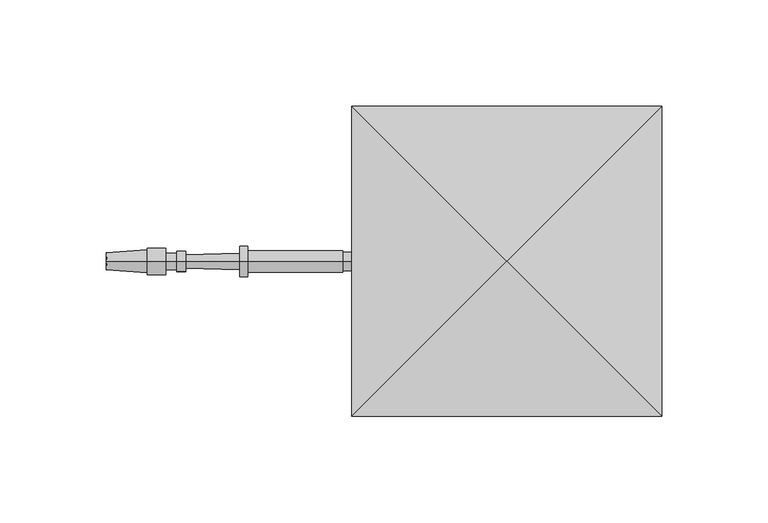
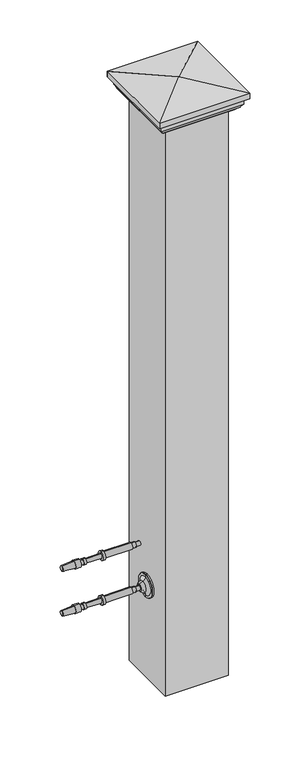
"""IFC4 building model written with IfcOpenShell, lengths in millimetres: railing geometry."""

import ifcopenshell
import ifcopenshell.guid

model = None  # the IFC model being written
_history = None  # IfcOwnerHistory: only IFC2X3 demands one
_inside = {}  # id of a spatial element -> (the spatial element, [elements in it])
_under = {}  # id of a project, library or spatial element -> (it, [spatial elements below it])
_declared = {}  # id of a project -> (the project, [libraries it declares])
_typed = {}  # id of a type object -> (the type object, [elements of that type])
_made_of = {}  # id of a material, layer set ... -> (it, [elements and type objects made of it])


def new_model(schema):
    """Start an empty IFC model of exactly this schema.

    Asked for "IFC4X3", IfcOpenShell would pick the latest addendum, in which some entities
    have other attributes; the version numbers below select the first issue.
    IFC2X3 requires an IfcOwnerHistory on every rooted entity: one is made here for all.
    """
    global model, _history
    if schema == "IFC4X3":
        model = ifcopenshell.file(schema_version=(4, 3, 0, 0))
    else:
        model = ifcopenshell.file(schema=schema)
    _inside.clear()
    _under.clear()
    _declared.clear()
    _typed.clear()
    _made_of.clear()
    _history = None
    if model.schema == "IFC2X3":
        org = make("IfcOrganization", Name="unknown")
        user = make(
            "IfcPersonAndOrganization",
            ThePerson=make("IfcPerson", FamilyName="unknown"),
            TheOrganization=org,
        )
        app = make(
            "IfcApplication",
            ApplicationDeveloper=org,
            Version="unknown",
            ApplicationFullName="unknown",
            ApplicationIdentifier="unknown",
        )
        _history = make(
            "IfcOwnerHistory",
            OwningUser=user,
            OwningApplication=app,
            ChangeAction="ADDED",
            CreationDate=0,
        )
    return model


def make(cls, **values):
    """One entity of the class cls with the attributes given. An attribute that is None is left unset."""
    return model.create_entity(
        cls, **{name: value for name, value in values.items() if value is not None}
    )


def rooted(cls, **values):
    """An entity with a GlobalId (a new one), such as an element, a storey or a relation."""
    return make(cls, GlobalId=ifcopenshell.guid.new(), OwnerHistory=_history, **values)


def si_unit(unit_type, name, prefix=None):
    """IfcSIUnit, for example si_unit("LENGTHUNIT", "METRE", prefix="MILLI")."""
    return make("IfcSIUnit", UnitType=unit_type, Prefix=prefix, Name=name)


def assignment(units):
    """IfcUnitAssignment: the units of a project."""
    return None if units is None else make("IfcUnitAssignment", Units=units)


def point(xyz):
    """IfcCartesianPoint."""
    return None if xyz is None else make("IfcCartesianPoint", Coordinates=xyz)


def direction(xyz):
    """IfcDirection."""
    return None if xyz is None else make("IfcDirection", DirectionRatios=xyz)


def frame(location, z_axis=None, x_axis=None):
    """IfcAxis2Placement3D, a coordinate frame: its origin and axes. An axis left out is left unset."""
    return make(
        "IfcAxis2Placement3D",
        Location=point(location),
        Axis=direction(z_axis),
        RefDirection=direction(x_axis),
    )


def origin():
    """The frame at (0, 0, 0) with its axes left unset."""
    return frame((0.0, 0.0, 0.0))


def place(relative_to, where):
    """IfcLocalPlacement: puts the frame where relative to a parent placement (None: the world)."""
    return make(
        "IfcLocalPlacement", PlacementRelTo=relative_to, RelativePlacement=where
    )


def context(
    kind, dimensions, precision=None, world=None, true_north=None, identifier=None
):
    """IfcGeometricRepresentationContext, for example the 3D "Model" context."""
    return make(
        "IfcGeometricRepresentationContext",
        ContextIdentifier=identifier,
        ContextType=kind,
        CoordinateSpaceDimension=dimensions,
        Precision=precision,
        WorldCoordinateSystem=world,
        TrueNorth=true_north,
    )


def project(units=None, contexts=None):
    """IfcProject with its units and contexts."""
    return rooted(
        "IfcProject",
        Name="project",
        RepresentationContexts=contexts,
        UnitsInContext=assignment(units),
    )


def spatial(cls, under=None, at=None, **own):
    """A site, building, storey or space (cls), placed at a placement, below another one or the project."""
    s = rooted(cls, ObjectPlacement=at, **own)
    if under is not None:
        _under.setdefault(under.id(), (under, []))[1].append(s)
    return s


def polyline(points):
    """IfcPolyline through the points."""
    return make("IfcPolyline", Points=[point(p) for p in points])


def circle_curve(where, radius):
    """IfcCircle in the frame where."""
    return make("IfcCircle", Position=where, Radius=radius)


def ellipse_curve(where, semi_axis1, semi_axis2):
    """IfcEllipse in the frame where."""
    return make(
        "IfcEllipse", Position=where, SemiAxis1=semi_axis1, SemiAxis2=semi_axis2
    )


def trimmed(basis, trim1, trim2, sense, master):
    """IfcTrimmedCurve: the piece of a basis curve between two trims."""
    return make(
        "IfcTrimmedCurve",
        BasisCurve=basis,
        Trim1=trim1,
        Trim2=trim2,
        SenseAgreement=sense,
        MasterRepresentation=master,
    )


def outline(outer, holes=None, kind="AREA"):
    """IfcArbitraryClosedProfileDef: a profile drawn as a closed curve; with holes, ...WithVoids."""
    if holes is None:
        return make("IfcArbitraryClosedProfileDef", ProfileType=kind, OuterCurve=outer)
    return make(
        "IfcArbitraryProfileDefWithVoids",
        ProfileType=kind,
        OuterCurve=outer,
        InnerCurves=holes,
    )


def extrude(swept, where, along, depth):
    """IfcExtrudedAreaSolid: the profile swept, set in the frame where, extruded along a direction by depth."""
    return make(
        "IfcExtrudedAreaSolid",
        SweptArea=swept,
        Position=where,
        ExtrudedDirection=direction(along),
        Depth=depth,
    )


def shape(context_of_items, identifier, shape_type, items):
    """IfcShapeRepresentation: the items that make up one representation, for example the "Body"."""
    return make(
        "IfcShapeRepresentation",
        ContextOfItems=context_of_items,
        RepresentationIdentifier=identifier,
        RepresentationType=shape_type,
        Items=items,
    )


def source(mapping_origin, context_of_items, identifier, shape_type, items):
    """IfcRepresentationMap: a shape defined once, which mapped items show again and again."""
    return make(
        "IfcRepresentationMap",
        MappingOrigin=mapping_origin,
        MappedRepresentation=shape(context_of_items, identifier, shape_type, items),
    )


def transform(
    local_origin,
    x_axis=None,
    y_axis=None,
    z_axis=None,
    scale=None,
    scale2=None,
    scale3=None,
    uniform=True,
):
    """IfcCartesianTransformationOperator3D, or its non-uniform kind. x_axis, y_axis, z_axis: its Axis1, 2, 3."""
    if uniform:
        return make(
            "IfcCartesianTransformationOperator3D",
            Axis1=direction(x_axis),
            Axis2=direction(y_axis),
            LocalOrigin=point(local_origin),
            Scale=scale,
            Axis3=direction(z_axis),
        )
    return make(
        "IfcCartesianTransformationOperator3DnonUniform",
        Axis1=direction(x_axis),
        Axis2=direction(y_axis),
        LocalOrigin=point(local_origin),
        Scale=scale,
        Axis3=direction(z_axis),
        Scale2=scale2,
        Scale3=scale3,
    )


def mapped(mapping_source, mapping_target):
    """IfcMappedItem: shows the shape of a source again, moved by a transform."""
    return make(
        "IfcMappedItem", MappingSource=mapping_source, MappingTarget=mapping_target
    )


def made_of(thing, what):
    """Note that an element or type object is made of a material, layer set ...; save() writes the relation."""
    if what is not None:
        _made_of.setdefault(what.id(), (what, []))[1].append(thing)
    return thing


def element(
    cls,
    number,
    at=None,
    inside=None,
    cuts=None,
    type_object=None,
    material=None,
    context=None,
    identifier="Body",
    shape_type=None,
    held_by="IfcProductDefinitionShape",
    body=None,
    shapes=None,
    **own,
):
    """One element of the class cls, such as IfcWall. Its Tag is "e" and its number.

    at: its placement. inside: the storey or other place that contains it. cuts: it is an
    opening in that element (IfcRelVoidsElement). A single representation is given by context,
    identifier, shape_type and body (its items); several are given by shapes. held_by: the class
    of the entity that holds the representations. save() writes the other relations.
    """
    e = rooted(cls, Tag="e%d" % number, ObjectPlacement=at, **own)
    if body is not None:
        shapes = [shape(context, identifier, shape_type, body)]
    if shapes is not None:
        e.Representation = make(held_by, Representations=shapes)
    if inside is not None:
        _inside.setdefault(inside.id(), (inside, []))[1].append(e)
    if cuts is not None:
        rooted(
            "IfcRelVoidsElement", RelatingBuildingElement=cuts, RelatedOpeningElement=e
        )
    if type_object is not None:
        _typed.setdefault(type_object.id(), (type_object, []))[1].append(e)
    return made_of(e, material)


def aggregate(whole, parts):
    """IfcRelAggregates: a whole, such as a stair, and the parts it consists of."""
    return rooted("IfcRelAggregates", RelatingObject=whole, RelatedObjects=parts)


def save(model, path):
    """Write the relations noted so far, then the file.

    IfcRelAggregates (storeys below a building ...), IfcRelContainedInSpatialStructure (elements
    in a storey), IfcRelDefinesByType, IfcRelAssociatesMaterial and IfcRelDeclares: one each for
    every whole, place, type object, material and project.
    """
    for whole, parts in _under.values():
        aggregate(whole, parts)
    for where, things in _inside.values():
        rooted(
            "IfcRelContainedInSpatialStructure",
            RelatedElements=things,
            RelatingStructure=where,
        )
    for kind, things in _typed.values():
        rooted("IfcRelDefinesByType", RelatedObjects=things, RelatingType=kind)
    for what, things in _made_of.values():
        rooted("IfcRelAssociatesMaterial", RelatedObjects=things, RelatingMaterial=what)
    for by, libraries in _declared.values():
        rooted("IfcRelDeclares", RelatingContext=by, RelatedDefinitions=libraries)
    model.write(path)


def plane_surface(at):
    """IfcPlane: the flat surface through the origin of the frame at, square to its z axis."""
    return make("IfcPlane", Position=at)


def cylinder_surface(at, radius):
    """IfcCylindricalSurface: all points at the distance radius from the z axis of the frame at."""
    return make("IfcCylindricalSurface", Position=at, Radius=radius)


def revolved_surface(curve, axis_point, axis_direction):
    """IfcSurfaceOfRevolution: the curve turned about the line through axis_point along axis_direction."""
    return make(
        "IfcSurfaceOfRevolution",
        SweptCurve=make("IfcArbitraryOpenProfileDef", ProfileType="CURVE", Curve=curve),
        AxisPosition=make("IfcAxis1Placement", Location=point(axis_point), Axis=direction(axis_direction)),
    )


def advanced_brep(points, edges, surfaces, faces):
    """IfcAdvancedBrep: a solid bounded by faces that lie on surfaces and meet in shared edges.

    An edge is (start, end): straight between two places in points (the first is 0);
    or (start, end, curve); or (start, end, curve, False) where it runs against its curve.
    A face is (place in surfaces, loops), or (place, loops, False) where it looks against
    its surface's normal. A loop lists edges by number (the first is 1), with a minus sign
    where the edge is run from its end to its start. The first loop is the outer one.
    """
    corners = [point(p) for p in points]
    vertices = [make("IfcVertexPoint", VertexGeometry=c) for c in corners]
    made = []
    for start, end, *more in edges:
        made.append(
            make(
                "IfcEdgeCurve",
                EdgeStart=vertices[start],
                EdgeEnd=vertices[end],
                EdgeGeometry=more[0] if more else make("IfcPolyline", Points=[corners[start], corners[end]]),
                SameSense=more[1] if len(more) > 1 else True,
            )
        )
    hull = []
    for where, loops, *sense in faces:
        bounds = []
        for j, loop in enumerate(loops):
            ring = [make("IfcOrientedEdge", EdgeElement=made[abs(k) - 1], Orientation=k > 0) for k in loop]
            bounds.append(
                make(
                    "IfcFaceOuterBound" if j == 0 else "IfcFaceBound",
                    Bound=make("IfcEdgeLoop", EdgeList=ring),
                    Orientation=True,
                )
            )
        hull.append(make("IfcAdvancedFace", Bounds=bounds, FaceSurface=surfaces[where], SameSense=sense[0] if sense else True))
    return make("IfcAdvancedBrep", Outer=make("IfcClosedShell", CfsFaces=hull))


def railing_71b8d278(model_context):
    return source(origin(), model_context, "Body", "SolidModel", [
        advanced_brep(
        [(4032.408954, 20313.0866843, 32759.0282881), (4032.408954, 20313.0866843, 32766.1720381), (4032.408954, 20313.0866843, 32762.6001631), (3907.4650648, 20313.0866843, 32762.6001631), (3907.1694004, 20313.0866843, 32766.6246235), (3907.1694004, 20313.0866843, 32758.5757028), (3926.5127644, 20313.0866843, 32768.045719), (3926.5127644, 20313.0866843, 32757.1546072), (3926.5127644, 20313.0866843, 32768.9386877), (3926.5127644, 20313.0866843, 32756.2616385), (3935.1447956, 20313.0866843, 32768.9386877), (3935.1447956, 20313.0866843, 32756.2616385), (3935.1447956, 20313.0866843, 32766.5574377), (3935.1447956, 20313.0866843, 32758.6428885), (3940.5026081, 20313.0866843, 32766.5574377), (3940.5026081, 20313.0866843, 32758.6428885), (3940.5026081, 20313.0866843, 32767.3511877), (3940.5026081, 20313.0866843, 32757.8491385), (3944.5705769, 20313.0866843, 32767.3511877), (3944.5705769, 20313.0866843, 32757.8491385), (3944.614664, 20313.0866843, 32765.7643), (3944.614664, 20313.0866843, 32759.4360262), (3970.0048672, 20313.0866843, 32766.4696944), (3970.0048672, 20313.0866843, 32758.7306319), (3970.0048672, 20313.0866843, 32769.7439131), (3970.0048672, 20313.0866843, 32755.4564131), (3973.9736172, 20313.0866843, 32769.7439131), (3973.9736172, 20313.0866843, 32755.4564131), (3973.9736172, 20313.0866843, 32767.7595381), (3973.9736172, 20313.0866843, 32757.4407881), (4018.7212735, 20313.0866843, 32767.7595381), (4018.7212735, 20313.0866843, 32757.4407881), (4018.7212735, 20313.0866843, 32766.9657881), (4018.7212735, 20313.0866843, 32758.2345381), (4025.0712735, 20313.0866843, 32766.9657881), (4025.0712735, 20313.0866843, 32758.2345381), (4025.0712735, 20313.0866843, 32766.1720381), (4025.0712735, 20313.0866843, 32759.0282881)],
        [
            (0, 1, circle_curve(frame((4032.408954, 20313.0866843, 32762.6001631), z_axis=(1.0, 0.0, 0.0), x_axis=(0.0, 0.0, 1.0000000000000002)), 3.571875)),
            (1, 2),
            (2, 0),
            (1, 0, circle_curve(frame((4032.408954, 20313.0866843, 32762.6001631), z_axis=(1.0, 0.0, 0.0), x_axis=(0.0, 0.0, 1.0000000000000002)), 3.571875)),
            (3, 4),
            (4, 5, circle_curve(frame((3907.1694004, 20313.0866843, 32762.6001631), z_axis=(-1.0, 0.0, 0.0), x_axis=(0.0, 0.0, 1.0000000000000002)), 4.0244604)),
            (5, 3),
            (5, 4, circle_curve(frame((3907.1694004, 20313.0866843, 32762.6001631), z_axis=(-1.0, 0.0, 0.0), x_axis=(0.0, 0.0, 1.0000000000000002)), 4.0244604)),
            (4, 6),
            (6, 7, circle_curve(frame((3926.5127644, 20313.0866843, 32762.6001631), z_axis=(-1.0, 0.0, 0.0), x_axis=(0.0, 0.0, 1.0000000000000002)), 5.4455559)),
            (7, 5),
            (7, 6, circle_curve(frame((3926.5127644, 20313.0866843, 32762.6001631), z_axis=(-1.0, 0.0, 0.0), x_axis=(0.0, 0.0, 1.0000000000000002)), 5.4455559)),
            (6, 8),
            (8, 9, circle_curve(frame((3926.5127644, 20313.0866843, 32762.6001631), z_axis=(-1.0, 0.0, 0.0), x_axis=(0.0, 0.0, 1.0000000000000002)), 6.3385246)),
            (9, 7),
            (9, 8, circle_curve(frame((3926.5127644, 20313.0866843, 32762.6001631), z_axis=(-1.0, 0.0, 0.0), x_axis=(0.0, 0.0, 1.0000000000000002)), 6.3385246)),
            (8, 10),
            (10, 11, circle_curve(frame((3935.1447956, 20313.0866843, 32762.6001631), z_axis=(-1.0, 0.0, 0.0), x_axis=(0.0, 0.0, 1.0000000000000002)), 6.3385246)),
            (11, 9),
            (11, 10, circle_curve(frame((3935.1447956, 20313.0866843, 32762.6001631), z_axis=(-1.0, 0.0, 0.0), x_axis=(0.0, 0.0, 1.0000000000000002)), 6.3385246)),
            (10, 12),
            (12, 13, circle_curve(frame((3935.1447956, 20313.0866843, 32762.6001631), z_axis=(-1.0, 0.0, 0.0), x_axis=(0.0, 0.0, 1.0000000000000002)), 3.9572746)),
            (13, 11),
            (13, 12, circle_curve(frame((3935.1447956, 20313.0866843, 32762.6001631), z_axis=(-1.0, 0.0, 0.0), x_axis=(0.0, 0.0, 1.0000000000000002)), 3.9572746)),
            (12, 14),
            (14, 15, circle_curve(frame((3940.5026081, 20313.0866843, 32762.6001631), z_axis=(-1.0, 0.0, 0.0), x_axis=(0.0, 0.0, 1.0000000000000002)), 3.9572746)),
            (15, 13),
            (15, 14, circle_curve(frame((3940.5026081, 20313.0866843, 32762.6001631), z_axis=(-1.0, 0.0, 0.0), x_axis=(0.0, 0.0, 1.0000000000000002)), 3.9572746)),
            (14, 16),
            (16, 17, circle_curve(frame((3940.5026081, 20313.0866843, 32762.6001631), z_axis=(-1.0, 0.0, 0.0), x_axis=(0.0, 0.0, 1.0000000000000002)), 4.7510246)),
            (17, 15),
            (17, 16, circle_curve(frame((3940.5026081, 20313.0866843, 32762.6001631), z_axis=(-1.0, 0.0, 0.0), x_axis=(0.0, 0.0, 1.0000000000000002)), 4.7510246)),
            (16, 18),
            (18, 19, circle_curve(frame((3944.5705769, 20313.0866843, 32762.6001631), z_axis=(-1.0, 0.0, 0.0), x_axis=(0.0, 0.0, 1.0000000000000002)), 4.7510246)),
            (19, 17),
            (19, 18, circle_curve(frame((3944.5705769, 20313.0866843, 32762.6001631), z_axis=(-1.0, 0.0, 0.0), x_axis=(0.0, 0.0, 1.0000000000000002)), 4.7510246)),
            (18, 20),
            (20, 21, circle_curve(frame((3944.614664, 20313.0866843, 32762.6001631), z_axis=(-1.0, 0.0, 0.0), x_axis=(0.0, 0.0, 1.0000000000000002)), 3.1641369)),
            (21, 19),
            (21, 20, circle_curve(frame((3944.614664, 20313.0866843, 32762.6001631), z_axis=(-1.0, 0.0, 0.0), x_axis=(0.0, 0.0, 1.0000000000000002)), 3.1641369)),
            (20, 22),
            (22, 23, circle_curve(frame((3970.0048672, 20313.0866843, 32762.6001631), z_axis=(-1.0, 0.0, 0.0), x_axis=(0.0, 0.0, 1.0000000000000002)), 3.8695313)),
            (23, 21),
            (23, 22, circle_curve(frame((3970.0048672, 20313.0866843, 32762.6001631), z_axis=(-1.0, 0.0, 0.0), x_axis=(0.0, 0.0, 1.0000000000000002)), 3.8695313)),
            (22, 24),
            (24, 25, circle_curve(frame((3970.0048672, 20313.0866843, 32762.6001631), z_axis=(-1.0, 0.0, 0.0), x_axis=(0.0, 0.0, 1.0000000000000002)), 7.14375)),
            (25, 23),
            (25, 24, circle_curve(frame((3970.0048672, 20313.0866843, 32762.6001631), z_axis=(-1.0, 0.0, 0.0), x_axis=(0.0, 0.0, 1.0000000000000002)), 7.14375)),
            (24, 26),
            (26, 27, circle_curve(frame((3973.9736172, 20313.0866843, 32762.6001631), z_axis=(-1.0, 0.0, 0.0), x_axis=(0.0, 0.0, 1.0000000000000002)), 7.14375)),
            (27, 25),
            (27, 26, circle_curve(frame((3973.9736172, 20313.0866843, 32762.6001631), z_axis=(-1.0, 0.0, 0.0), x_axis=(0.0, 0.0, 1.0000000000000002)), 7.14375)),
            (26, 28),
            (28, 29, circle_curve(frame((3973.9736172, 20313.0866843, 32762.6001631), z_axis=(-1.0, 0.0, 0.0), x_axis=(0.0, 0.0, 1.0000000000000002)), 5.159375)),
            (29, 27),
            (29, 28, circle_curve(frame((3973.9736172, 20313.0866843, 32762.6001631), z_axis=(-1.0, 0.0, 0.0), x_axis=(0.0, 0.0, 1.0000000000000002)), 5.159375)),
            (28, 30),
            (30, 31, circle_curve(frame((4018.7212735, 20313.0866843, 32762.6001631), z_axis=(-1.0, 0.0, 0.0), x_axis=(0.0, 0.0, 1.0000000000000002)), 5.159375)),
            (31, 29),
            (31, 30, circle_curve(frame((4018.7212735, 20313.0866843, 32762.6001631), z_axis=(-1.0, 0.0, 0.0), x_axis=(0.0, 0.0, 1.0000000000000002)), 5.159375)),
            (30, 32),
            (32, 33, circle_curve(frame((4018.7212735, 20313.0866843, 32762.6001631), z_axis=(-1.0, 0.0, 0.0), x_axis=(0.0, 0.0, 1.0000000000000002)), 4.365625)),
            (33, 31),
            (33, 32, circle_curve(frame((4018.7212735, 20313.0866843, 32762.6001631), z_axis=(-1.0, 0.0, 0.0), x_axis=(0.0, 0.0, 1.0000000000000002)), 4.365625)),
            (32, 34),
            (34, 35, circle_curve(frame((4025.0712735, 20313.0866843, 32762.6001631), z_axis=(-1.0, 0.0, 0.0), x_axis=(0.0, 0.0, 1.0000000000000002)), 4.365625)),
            (35, 33),
            (35, 34, circle_curve(frame((4025.0712735, 20313.0866843, 32762.6001631), z_axis=(-1.0, 0.0, 0.0), x_axis=(0.0, 0.0, 1.0000000000000002)), 4.365625)),
            (34, 36),
            (36, 37, circle_curve(frame((4025.0712735, 20313.0866843, 32762.6001631), z_axis=(-1.0, 0.0, 0.0), x_axis=(0.0, 0.0, 1.0000000000000002)), 3.571875)),
            (37, 35),
            (37, 36, circle_curve(frame((4025.0712735, 20313.0866843, 32762.6001631), z_axis=(-1.0, 0.0, 0.0), x_axis=(0.0, 0.0, 1.0000000000000002)), 3.571875)),
            (36, 1),
            (0, 37),
        ],
        [
            plane_surface(frame((4032.408954, 20313.0866843, 32762.6001631), z_axis=(1.0, 0.0, 0.0), x_axis=(0.0, 0.0, 1.0))),
            revolved_surface(polyline([(3907.1694004, 20313.0866843, 32766.6246235), (3907.4650648, 20313.0866843, 32762.6001631)]), (3907.4650648, 20313.0866843, 32762.6001631), (-1.0, 0.0, 0.0)),
            revolved_surface(polyline([(3926.5127644, 20313.0866843, 32768.045719), (3907.1694004, 20313.0866843, 32766.6246235)]), (3907.4650648, 20313.0866843, 32762.6001631), (-1.0, 0.0, 0.0)),
            plane_surface(frame((3926.5127644, 20313.0866843, 32762.6001631), z_axis=(-1.0, 0.0, 0.0), x_axis=(0.0, 0.0, 1.0))),
            cylinder_surface(frame((3907.4650648, 20313.0866843, 32762.6001631), z_axis=(-1.0, 0.0, 0.0), x_axis=(0.0, 0.0, 1.0000000000000002)), 6.3385246),
            plane_surface(frame((3935.1447956, 20313.0866843, 32762.6001631), z_axis=(1.0, 0.0, 0.0), x_axis=(0.0, 0.0, 1.0))),
            cylinder_surface(frame((3907.4650648, 20313.0866843, 32762.6001631), z_axis=(-1.0, 0.0, 0.0), x_axis=(0.0, 0.0, 1.0000000000000002)), 3.9572746),
            plane_surface(frame((3940.5026081, 20313.0866843, 32762.6001631), z_axis=(-1.0, 0.0, 0.0), x_axis=(0.0, 0.0, 1.0))),
            cylinder_surface(frame((3907.4650648, 20313.0866843, 32762.6001631), z_axis=(-1.0, 0.0, 0.0), x_axis=(0.0, 0.0, 1.0000000000000002)), 4.7510246),
            plane_surface(frame((3944.614664, 20313.0866843, 32762.6001631), z_axis=(1.0, 0.0, 0.0), x_axis=(0.0, 0.0, 1.0))),
            revolved_surface(polyline([(3970.0048672, 20313.0866843, 32766.4696944), (3944.614664, 20313.0866843, 32765.7643)]), (3907.4650648, 20313.0866843, 32762.6001631), (-1.0, 0.0, 0.0)),
            plane_surface(frame((3970.0048672, 20313.0866843, 32762.6001631), z_axis=(-1.0, 0.0, 0.0), x_axis=(0.0, 0.0, 1.0))),
            cylinder_surface(frame((3907.4650648, 20313.0866843, 32762.6001631), z_axis=(-1.0, 0.0, 0.0), x_axis=(0.0, 0.0, 1.0000000000000002)), 7.14375),
            plane_surface(frame((3973.9736172, 20313.0866843, 32762.6001631), z_axis=(1.0, 0.0, 0.0), x_axis=(0.0, 0.0, 1.0))),
            cylinder_surface(frame((3907.4650648, 20313.0866843, 32762.6001631), z_axis=(-1.0, 0.0, 0.0), x_axis=(0.0, 0.0, 1.0000000000000002)), 5.159375),
            plane_surface(frame((4018.7212735, 20313.0866843, 32762.6001631), z_axis=(1.0, 0.0, 0.0), x_axis=(0.0, 0.0, 1.0))),
            cylinder_surface(frame((3907.4650648, 20313.0866843, 32762.6001631), z_axis=(-1.0, 0.0, 0.0), x_axis=(0.0, 0.0, 1.0000000000000002)), 4.365625),
            plane_surface(frame((4025.0712735, 20313.0866843, 32762.6001631), z_axis=(1.0, 0.0, 0.0), x_axis=(0.0, 0.0, 1.0))),
            cylinder_surface(frame((3907.4650648, 20313.0866843, 32762.6001631), z_axis=(-1.0, 0.0, 0.0), x_axis=(0.0, 0.0, 1.0000000000000002)), 3.571875),
        ],
        [
            (0, [[1, 2, 3]]),
            (0, [[4, -3, -2]]),
            (1, [[5, 6, 7]]),
            (1, [[-7, 8, -5]]),
            (2, [[-6, 9, 10, 11]]),
            (2, [[-8, -11, 12, -9]]),
            (3, [[-10, 13, 14, 15]]),
            (3, [[-12, -15, 16, -13]]),
            (4, [[-14, 17, 18, 19]]),
            (4, [[-16, -19, 20, -17]]),
            (5, [[-18, 21, 22, 23]]),
            (5, [[-20, -23, 24, -21]]),
            (6, [[-22, 25, 26, 27]]),
            (6, [[-24, -27, 28, -25]]),
            (7, [[-26, 29, 30, 31]]),
            (7, [[-28, -31, 32, -29]]),
            (8, [[-30, 33, 34, 35]]),
            (8, [[-32, -35, 36, -33]]),
            (9, [[-34, 37, 38, 39]]),
            (9, [[-36, -39, 40, -37]]),
            (10, [[-38, 41, 42, 43]]),
            (10, [[-40, -43, 44, -41]]),
            (11, [[-42, 45, 46, 47]]),
            (11, [[-44, -47, 48, -45]]),
            (12, [[-46, 49, 50, 51]]),
            (12, [[-48, -51, 52, -49]]),
            (13, [[-50, 53, 54, 55]]),
            (13, [[-52, -55, 56, -53]]),
            (14, [[-54, 57, 58, 59]]),
            (14, [[-56, -59, 60, -57]]),
            (15, [[-58, 61, 62, 63]]),
            (15, [[-60, -63, 64, -61]]),
            (16, [[-62, 65, 66, 67]]),
            (16, [[-64, -67, 68, -65]]),
            (17, [[-66, 69, 70, 71]]),
            (17, [[-68, -71, 72, -69]]),
            (18, [[-70, 73, -1, 74]]),
            (18, [[-72, -74, -4, -73]]),
        ],
    ),
        advanced_brep(
        [(4045.1015906, 20313.0866843, 32686.4001631), (4045.1015906, 20313.0866843, 32667.3501631), (4045.1015906, 20313.0866843, 32705.4501631), (4032.408954, 20313.0866843, 32680.8769785), (4032.408954, 20313.0866843, 32686.4001631), (4032.408954, 20313.0866843, 32691.9233478), (4037.6850504, 20313.0866843, 32677.2720381), (4037.6850504, 20313.0866843, 32695.5282881), (4042.0506754, 20313.0866843, 32671.6458254), (4042.0506754, 20313.0866843, 32701.1545009), (4042.0506754, 20313.0866843, 32667.7762941), (4042.0506754, 20313.0866843, 32705.0240321), (4042.7203406, 20313.0866843, 32667.3501631), (4042.7203406, 20313.0866843, 32705.4501631)],
        [
            (0, 1),
            (1, 2, circle_curve(frame((4045.1015906, 20313.0866843, 32686.4001631), z_axis=(1.0, 0.0, 0.0), x_axis=(0.0, 0.0, 1.0)), 19.05)),
            (2, 0),
            (2, 1, circle_curve(frame((4045.1015906, 20313.0866843, 32686.4001631), z_axis=(1.0, 0.0, 0.0), x_axis=(0.0, 0.0, 1.0)), 19.05)),
            (3, 4),
            (4, 5),
            (5, 3, circle_curve(frame((4032.408954, 20313.0866843, 32686.4001631), z_axis=(-1.0, 0.0, 0.0), x_axis=(0.0, 0.0, 1.0)), 5.5231846)),
            (3, 5, circle_curve(frame((4032.408954, 20313.0866843, 32686.4001631), z_axis=(-1.0, 0.0, 0.0), x_axis=(0.0, 0.0, 1.0)), 5.5231846)),
            (6, 3, circle_curve(frame((4040.0094591, 20313.0866843, 32686.3374304), z_axis=(0.0, 1.0, 0.0), x_axis=(-1.0, 0.0, 0.0)), 9.3586438)),
            (5, 7, circle_curve(frame((4040.0094591, 20313.0866843, 32686.4628958), z_axis=(0.0, 1.0, 0.0), x_axis=(-1.0, 0.0, 0.0)), 9.3586438)),
            (7, 6, circle_curve(frame((4037.6850504, 20313.0866843, 32686.4001631), z_axis=(-1.0, 0.0, 0.0), x_axis=(0.0, 0.0, 1.0)), 9.128125)),
            (6, 7, circle_curve(frame((4037.6850504, 20313.0866843, 32686.4001631), z_axis=(-1.0, 0.0, 0.0), x_axis=(0.0, 0.0, 1.0)), 9.128125)),
            (8, 6, circle_curve(frame((4036.2424634, 20313.0866843, 32671.6458254), z_axis=(0.0, -1.0, 0.0), x_axis=(-1.0, 0.0, 0.0)), 5.8082121)),
            (7, 9, circle_curve(frame((4036.2424634, 20313.0866843, 32701.1545009), z_axis=(0.0, -1.0, 0.0), x_axis=(-1.0, 0.0, 0.0)), 5.8082121)),
            (9, 8, circle_curve(frame((4042.0506754, 20313.0866843, 32686.4001631), z_axis=(-1.0, 0.0, 0.0), x_axis=(0.0, 0.0, 1.0)), 14.7543378)),
            (8, 9, circle_curve(frame((4042.0506754, 20313.0866843, 32686.4001631), z_axis=(-1.0, 0.0, 0.0), x_axis=(0.0, 0.0, 1.0)), 14.7543378)),
            (10, 8),
            (9, 11),
            (11, 10, circle_curve(frame((4042.0506754, 20313.0866843, 32686.4001631), z_axis=(-1.0, 0.0, 0.0), x_axis=(0.0, 0.0, 1.0)), 18.623869)),
            (10, 11, circle_curve(frame((4042.0506754, 20313.0866843, 32686.4001631), z_axis=(-1.0, 0.0, 0.0), x_axis=(0.0, 0.0, 1.0)), 18.623869)),
            (12, 10),
            (11, 13),
            (13, 12, circle_curve(frame((4042.7203406, 20313.0866843, 32686.4001631), z_axis=(-1.0, 0.0, 0.0), x_axis=(0.0, 0.0, 1.0)), 19.05)),
            (12, 13, circle_curve(frame((4042.7203406, 20313.0866843, 32686.4001631), z_axis=(-1.0, 0.0, 0.0), x_axis=(0.0, 0.0, 1.0)), 19.05)),
            (1, 12),
            (13, 2),
        ],
        [
            plane_surface(frame((4045.1015906, 20313.0866843, 32686.4001631), z_axis=(1.0, 0.0, 0.0), x_axis=(0.0, 0.0, 1.0))),
            plane_surface(frame((4032.408954, 20313.0866843, 32686.4001631), z_axis=(-1.0, 0.0, 0.0), x_axis=(0.0, 0.0, 1.0))),
            revolved_surface(trimmed(ellipse_curve(frame((4040.0094591, 20313.0866843, 32686.4628958), z_axis=(0.0, 1.0, 0.0), x_axis=(-1.0, 0.0, 0.0)), 9.3586438, 9.3586438), [point((4032.408954, 20313.0866843, 32691.9233478))], [point((4037.6850504, 20313.0866843, 32695.5282881))], True, "CARTESIAN"), (4045.1015906, 20313.0866843, 32686.4001631), (1.0, 0.0, 0.0)),
            revolved_surface(trimmed(ellipse_curve(frame((4036.2424634, 20313.0866843, 32701.1545009), z_axis=(0.0, -1.0, 0.0), x_axis=(-1.0, 0.0, 0.0)), 5.8082121, 5.8082121), [point((4037.6850504, 20313.0866843, 32695.5282881))], [point((4042.0506754, 20313.0866843, 32701.1545009))], True, "CARTESIAN"), (4045.1015906, 20313.0866843, 32686.4001631), (1.0, 0.0, 0.0)),
            plane_surface(frame((4042.0506754, 20313.0866843, 32686.4001631), z_axis=(-1.0, 0.0, 0.0), x_axis=(0.0, 0.0, 1.0))),
            revolved_surface(polyline([(4042.0506754, 20313.0866843, 32705.0240321), (4042.7203406, 20313.0866843, 32705.4501631)]), (4045.1015906, 20313.0866843, 32686.4001631), (1.0, 0.0, 0.0)),
            cylinder_surface(frame((4045.1015906, 20313.0866843, 32686.4001631), z_axis=(1.0, 0.0, 0.0), x_axis=(0.0, 0.0, 1.0)), 19.05),
        ],
        [
            (0, [[1, 2, 3]]),
            (0, [[-3, 4, -1]]),
            (1, [[5, 6, 7]]),
            (1, [[-6, -5, 8]]),
            (2, [[9, -7, 10, 11]]),
            (2, [[-10, -8, -9, 12]]),
            (3, [[13, -11, 14, 15]]),
            (3, [[-14, -12, -13, 16]]),
            (4, [[17, -15, 18, 19]]),
            (4, [[-18, -16, -17, 20]]),
            (5, [[21, -19, 22, 23]]),
            (5, [[-22, -20, -21, 24]]),
            (6, [[25, -23, 26, -2]]),
            (6, [[-26, -24, -25, -4]]),
        ],
    ),
        advanced_brep(
        [(4032.408954, 20313.0866843, 32682.8282881), (4032.408954, 20313.0866843, 32689.9720381), (4032.408954, 20313.0866843, 32686.4001631), (3907.4650648, 20313.0866843, 32686.4001631), (3907.1694004, 20313.0866843, 32690.4246235), (3907.1694004, 20313.0866843, 32682.3757028), (3926.5127644, 20313.0866843, 32691.845719), (3926.5127644, 20313.0866843, 32680.9546072), (3926.5127644, 20313.0866843, 32692.7386877), (3926.5127644, 20313.0866843, 32680.0616385), (3935.1447956, 20313.0866843, 32692.7386877), (3935.1447956, 20313.0866843, 32680.0616385), (3935.1447956, 20313.0866843, 32690.3574377), (3935.1447956, 20313.0866843, 32682.4428885), (3940.5026081, 20313.0866843, 32690.3574377), (3940.5026081, 20313.0866843, 32682.4428885), (3940.5026081, 20313.0866843, 32691.1511877), (3940.5026081, 20313.0866843, 32681.6491385), (3944.5705769, 20313.0866843, 32691.1511877), (3944.5705769, 20313.0866843, 32681.6491385), (3944.614664, 20313.0866843, 32689.5643), (3944.614664, 20313.0866843, 32683.2360262), (3970.0048672, 20313.0866843, 32690.2696944), (3970.0048672, 20313.0866843, 32682.5306319), (3970.0048672, 20313.0866843, 32693.5439131), (3970.0048672, 20313.0866843, 32679.2564131), (3973.9736172, 20313.0866843, 32693.5439131), (3973.9736172, 20313.0866843, 32679.2564131), (3973.9736172, 20313.0866843, 32691.5595381), (3973.9736172, 20313.0866843, 32681.2407881), (4018.7212735, 20313.0866843, 32691.5595381), (4018.7212735, 20313.0866843, 32681.2407881), (4018.7212735, 20313.0866843, 32690.7657881), (4018.7212735, 20313.0866843, 32682.0345381), (4025.0712735, 20313.0866843, 32690.7657881), (4025.0712735, 20313.0866843, 32682.0345381), (4025.0712735, 20313.0866843, 32689.9720381), (4025.0712735, 20313.0866843, 32682.8282881)],
        [
            (0, 1, circle_curve(frame((4032.408954, 20313.0866843, 32686.4001631), z_axis=(1.0, 0.0, 0.0), x_axis=(0.0, 0.0, 1.0000000000000002)), 3.571875)),
            (1, 2),
            (2, 0),
            (1, 0, circle_curve(frame((4032.408954, 20313.0866843, 32686.4001631), z_axis=(1.0, 0.0, 0.0), x_axis=(0.0, 0.0, 1.0000000000000002)), 3.571875)),
            (3, 4),
            (4, 5, circle_curve(frame((3907.1694004, 20313.0866843, 32686.4001631), z_axis=(-1.0, 0.0, 0.0), x_axis=(0.0, 0.0, 1.0000000000000002)), 4.0244604)),
            (5, 3),
            (5, 4, circle_curve(frame((3907.1694004, 20313.0866843, 32686.4001631), z_axis=(-1.0, 0.0, 0.0), x_axis=(0.0, 0.0, 1.0000000000000002)), 4.0244604)),
            (4, 6),
            (6, 7, circle_curve(frame((3926.5127644, 20313.0866843, 32686.4001631), z_axis=(-1.0, 0.0, 0.0), x_axis=(0.0, 0.0, 1.0000000000000002)), 5.4455559)),
            (7, 5),
            (7, 6, circle_curve(frame((3926.5127644, 20313.0866843, 32686.4001631), z_axis=(-1.0, 0.0, 0.0), x_axis=(0.0, 0.0, 1.0000000000000002)), 5.4455559)),
            (6, 8),
            (8, 9, circle_curve(frame((3926.5127644, 20313.0866843, 32686.4001631), z_axis=(-1.0, 0.0, 0.0), x_axis=(0.0, 0.0, 1.0000000000000002)), 6.3385246)),
            (9, 7),
            (9, 8, circle_curve(frame((3926.5127644, 20313.0866843, 32686.4001631), z_axis=(-1.0, 0.0, 0.0), x_axis=(0.0, 0.0, 1.0000000000000002)), 6.3385246)),
            (8, 10),
            (10, 11, circle_curve(frame((3935.1447956, 20313.0866843, 32686.4001631), z_axis=(-1.0, 0.0, 0.0), x_axis=(0.0, 0.0, 1.0000000000000002)), 6.3385246)),
            (11, 9),
            (11, 10, circle_curve(frame((3935.1447956, 20313.0866843, 32686.4001631), z_axis=(-1.0, 0.0, 0.0), x_axis=(0.0, 0.0, 1.0000000000000002)), 6.3385246)),
            (10, 12),
            (12, 13, circle_curve(frame((3935.1447956, 20313.0866843, 32686.4001631), z_axis=(-1.0, 0.0, 0.0), x_axis=(0.0, 0.0, 1.0000000000000002)), 3.9572746)),
            (13, 11),
            (13, 12, circle_curve(frame((3935.1447956, 20313.0866843, 32686.4001631), z_axis=(-1.0, 0.0, 0.0), x_axis=(0.0, 0.0, 1.0000000000000002)), 3.9572746)),
            (12, 14),
            (14, 15, circle_curve(frame((3940.5026081, 20313.0866843, 32686.4001631), z_axis=(-1.0, 0.0, 0.0), x_axis=(0.0, 0.0, 1.0000000000000002)), 3.9572746)),
            (15, 13),
            (15, 14, circle_curve(frame((3940.5026081, 20313.0866843, 32686.4001631), z_axis=(-1.0, 0.0, 0.0), x_axis=(0.0, 0.0, 1.0000000000000002)), 3.9572746)),
            (14, 16),
            (16, 17, circle_curve(frame((3940.5026081, 20313.0866843, 32686.4001631), z_axis=(-1.0, 0.0, 0.0), x_axis=(0.0, 0.0, 1.0000000000000002)), 4.7510246)),
            (17, 15),
            (17, 16, circle_curve(frame((3940.5026081, 20313.0866843, 32686.4001631), z_axis=(-1.0, 0.0, 0.0), x_axis=(0.0, 0.0, 1.0000000000000002)), 4.7510246)),
            (16, 18),
            (18, 19, circle_curve(frame((3944.5705769, 20313.0866843, 32686.4001631), z_axis=(-1.0, 0.0, 0.0), x_axis=(0.0, 0.0, 1.0000000000000002)), 4.7510246)),
            (19, 17),
            (19, 18, circle_curve(frame((3944.5705769, 20313.0866843, 32686.4001631), z_axis=(-1.0, 0.0, 0.0), x_axis=(0.0, 0.0, 1.0000000000000002)), 4.7510246)),
            (18, 20),
            (20, 21, circle_curve(frame((3944.614664, 20313.0866843, 32686.4001631), z_axis=(-1.0, 0.0, 0.0), x_axis=(0.0, 0.0, 1.0000000000000002)), 3.1641369)),
            (21, 19),
            (21, 20, circle_curve(frame((3944.614664, 20313.0866843, 32686.4001631), z_axis=(-1.0, 0.0, 0.0), x_axis=(0.0, 0.0, 1.0000000000000002)), 3.1641369)),
            (20, 22),
            (22, 23, circle_curve(frame((3970.0048672, 20313.0866843, 32686.4001631), z_axis=(-1.0, 0.0, 0.0), x_axis=(0.0, 0.0, 1.0000000000000002)), 3.8695313)),
            (23, 21),
            (23, 22, circle_curve(frame((3970.0048672, 20313.0866843, 32686.4001631), z_axis=(-1.0, 0.0, 0.0), x_axis=(0.0, 0.0, 1.0000000000000002)), 3.8695313)),
            (22, 24),
            (24, 25, circle_curve(frame((3970.0048672, 20313.0866843, 32686.4001631), z_axis=(-1.0, 0.0, 0.0), x_axis=(0.0, 0.0, 1.0000000000000002)), 7.14375)),
            (25, 23),
            (25, 24, circle_curve(frame((3970.0048672, 20313.0866843, 32686.4001631), z_axis=(-1.0, 0.0, 0.0), x_axis=(0.0, 0.0, 1.0000000000000002)), 7.14375)),
            (24, 26),
            (26, 27, circle_curve(frame((3973.9736172, 20313.0866843, 32686.4001631), z_axis=(-1.0, 0.0, 0.0), x_axis=(0.0, 0.0, 1.0000000000000002)), 7.14375)),
            (27, 25),
            (27, 26, circle_curve(frame((3973.9736172, 20313.0866843, 32686.4001631), z_axis=(-1.0, 0.0, 0.0), x_axis=(0.0, 0.0, 1.0000000000000002)), 7.14375)),
            (26, 28),
            (28, 29, circle_curve(frame((3973.9736172, 20313.0866843, 32686.4001631), z_axis=(-1.0, 0.0, 0.0), x_axis=(0.0, 0.0, 1.0000000000000002)), 5.159375)),
            (29, 27),
            (29, 28, circle_curve(frame((3973.9736172, 20313.0866843, 32686.4001631), z_axis=(-1.0, 0.0, 0.0), x_axis=(0.0, 0.0, 1.0000000000000002)), 5.159375)),
            (28, 30),
            (30, 31, circle_curve(frame((4018.7212735, 20313.0866843, 32686.4001631), z_axis=(-1.0, 0.0, 0.0), x_axis=(0.0, 0.0, 1.0000000000000002)), 5.159375)),
            (31, 29),
            (31, 30, circle_curve(frame((4018.7212735, 20313.0866843, 32686.4001631), z_axis=(-1.0, 0.0, 0.0), x_axis=(0.0, 0.0, 1.0000000000000002)), 5.159375)),
            (30, 32),
            (32, 33, circle_curve(frame((4018.7212735, 20313.0866843, 32686.4001631), z_axis=(-1.0, 0.0, 0.0), x_axis=(0.0, 0.0, 1.0000000000000002)), 4.365625)),
            (33, 31),
            (33, 32, circle_curve(frame((4018.7212735, 20313.0866843, 32686.4001631), z_axis=(-1.0, 0.0, 0.0), x_axis=(0.0, 0.0, 1.0000000000000002)), 4.365625)),
            (32, 34),
            (34, 35, circle_curve(frame((4025.0712735, 20313.0866843, 32686.4001631), z_axis=(-1.0, 0.0, 0.0), x_axis=(0.0, 0.0, 1.0000000000000002)), 4.365625)),
            (35, 33),
            (35, 34, circle_curve(frame((4025.0712735, 20313.0866843, 32686.4001631), z_axis=(-1.0, 0.0, 0.0), x_axis=(0.0, 0.0, 1.0000000000000002)), 4.365625)),
            (34, 36),
            (36, 37, circle_curve(frame((4025.0712735, 20313.0866843, 32686.4001631), z_axis=(-1.0, 0.0, 0.0), x_axis=(0.0, 0.0, 1.0000000000000002)), 3.571875)),
            (37, 35),
            (37, 36, circle_curve(frame((4025.0712735, 20313.0866843, 32686.4001631), z_axis=(-1.0, 0.0, 0.0), x_axis=(0.0, 0.0, 1.0000000000000002)), 3.571875)),
            (36, 1),
            (0, 37),
        ],
        [
            plane_surface(frame((4032.408954, 20313.0866843, 32686.4001631), z_axis=(1.0, 0.0, 0.0), x_axis=(0.0, 0.0, 1.0))),
            revolved_surface(polyline([(3907.1694004, 20313.0866843, 32690.4246235), (3907.4650648, 20313.0866843, 32686.4001631)]), (3907.4650648, 20313.0866843, 32686.4001631), (-1.0, 0.0, 0.0)),
            revolved_surface(polyline([(3926.5127644, 20313.0866843, 32691.845719), (3907.1694004, 20313.0866843, 32690.4246235)]), (3907.4650648, 20313.0866843, 32686.4001631), (-1.0, 0.0, 0.0)),
            plane_surface(frame((3926.5127644, 20313.0866843, 32686.4001631), z_axis=(-1.0, 0.0, 0.0), x_axis=(0.0, 0.0, 1.0))),
            cylinder_surface(frame((3907.4650648, 20313.0866843, 32686.4001631), z_axis=(-1.0, 0.0, 0.0), x_axis=(0.0, 0.0, 1.0000000000000002)), 6.3385246),
            plane_surface(frame((3935.1447956, 20313.0866843, 32686.4001631), z_axis=(1.0, 0.0, 0.0), x_axis=(0.0, 0.0, 1.0))),
            cylinder_surface(frame((3907.4650648, 20313.0866843, 32686.4001631), z_axis=(-1.0, 0.0, 0.0), x_axis=(0.0, 0.0, 1.0000000000000002)), 3.9572746),
            plane_surface(frame((3940.5026081, 20313.0866843, 32686.4001631), z_axis=(-1.0, 0.0, 0.0), x_axis=(0.0, 0.0, 1.0))),
            cylinder_surface(frame((3907.4650648, 20313.0866843, 32686.4001631), z_axis=(-1.0, 0.0, 0.0), x_axis=(0.0, 0.0, 1.0000000000000002)), 4.7510246),
            plane_surface(frame((3944.614664, 20313.0866843, 32686.4001631), z_axis=(1.0, 0.0, 0.0), x_axis=(0.0, 0.0, 1.0))),
            revolved_surface(polyline([(3970.0048672, 20313.0866843, 32690.2696944), (3944.614664, 20313.0866843, 32689.5643)]), (3907.4650648, 20313.0866843, 32686.4001631), (-1.0, 0.0, 0.0)),
            plane_surface(frame((3970.0048672, 20313.0866843, 32686.4001631), z_axis=(-1.0, 0.0, 0.0), x_axis=(0.0, 0.0, 1.0))),
            cylinder_surface(frame((3907.4650648, 20313.0866843, 32686.4001631), z_axis=(-1.0, 0.0, 0.0), x_axis=(0.0, 0.0, 1.0000000000000002)), 7.14375),
            plane_surface(frame((3973.9736172, 20313.0866843, 32686.4001631), z_axis=(1.0, 0.0, 0.0), x_axis=(0.0, 0.0, 1.0))),
            cylinder_surface(frame((3907.4650648, 20313.0866843, 32686.4001631), z_axis=(-1.0, 0.0, 0.0), x_axis=(0.0, 0.0, 1.0000000000000002)), 5.159375),
            plane_surface(frame((4018.7212735, 20313.0866843, 32686.4001631), z_axis=(1.0, 0.0, 0.0), x_axis=(0.0, 0.0, 1.0))),
            cylinder_surface(frame((3907.4650648, 20313.0866843, 32686.4001631), z_axis=(-1.0, 0.0, 0.0), x_axis=(0.0, 0.0, 1.0000000000000002)), 4.365625),
            plane_surface(frame((4025.0712735, 20313.0866843, 32686.4001631), z_axis=(1.0, 0.0, 0.0), x_axis=(0.0, 0.0, 1.0))),
            cylinder_surface(frame((3907.4650648, 20313.0866843, 32686.4001631), z_axis=(-1.0, 0.0, 0.0), x_axis=(0.0, 0.0, 1.0000000000000002)), 3.571875),
        ],
        [
            (0, [[1, 2, 3]]),
            (0, [[4, -3, -2]]),
            (1, [[5, 6, 7]]),
            (1, [[-7, 8, -5]]),
            (2, [[-6, 9, 10, 11]]),
            (2, [[-8, -11, 12, -9]]),
            (3, [[-10, 13, 14, 15]]),
            (3, [[-12, -15, 16, -13]]),
            (4, [[-14, 17, 18, 19]]),
            (4, [[-16, -19, 20, -17]]),
            (5, [[-18, 21, 22, 23]]),
            (5, [[-20, -23, 24, -21]]),
            (6, [[-22, 25, 26, 27]]),
            (6, [[-24, -27, 28, -25]]),
            (7, [[-26, 29, 30, 31]]),
            (7, [[-28, -31, 32, -29]]),
            (8, [[-30, 33, 34, 35]]),
            (8, [[-32, -35, 36, -33]]),
            (9, [[-34, 37, 38, 39]]),
            (9, [[-36, -39, 40, -37]]),
            (10, [[-38, 41, 42, 43]]),
            (10, [[-40, -43, 44, -41]]),
            (11, [[-42, 45, 46, 47]]),
            (11, [[-44, -47, 48, -45]]),
            (12, [[-46, 49, 50, 51]]),
            (12, [[-48, -51, 52, -49]]),
            (13, [[-50, 53, 54, 55]]),
            (13, [[-52, -55, 56, -53]]),
            (14, [[-54, 57, 58, 59]]),
            (14, [[-56, -59, 60, -57]]),
            (15, [[-58, 61, 62, 63]]),
            (15, [[-60, -63, 64, -61]]),
            (16, [[-62, 65, 66, 67]]),
            (16, [[-64, -67, 68, -65]]),
            (17, [[-66, 69, 70, 71]]),
            (17, [[-68, -71, 72, -69]]),
            (18, [[-70, 73, -1, 74]]),
            (18, [[-72, -74, -4, -73]]),
        ],
    ),
        extrude(outline(polyline([(4146.7188898, 20363.8866843), (4146.7188898, 20262.2866843), (4045.1188898, 20262.2866843), (4045.1188898, 20363.8866843), (4146.7188898, 20363.8866843)])), frame((0.0, 0.0, 32527.3789062), z_axis=(0.0, 0.0, 1.0), x_axis=(1.0, 0.0, 0.0)), (0.0, 0.0, 1.0), 965.2),
        advanced_brep(
        [(4168.9438898, 20240.0616843, 33527.5039062), (4095.9188898, 20313.0866843, 33537.0289063), (4022.8938898, 20240.0616843, 33527.5039062), (4168.9438898, 20240.0616843, 33517.9789062), (4022.8938898, 20240.0616843, 33517.9789062), (4162.5938898, 20246.4116843, 33517.9789062), (4029.2438898, 20246.4116843, 33517.9789062), (4162.5938898, 20246.4116843, 33506.8203026), (4029.2438898, 20246.4116843, 33506.8203026), (4158.922796, 20250.082778, 33500.5164062), (4032.9149835, 20250.082778, 33500.5164062), (4155.747796, 20253.257778, 33500.5164062), (4036.0899835, 20253.257778, 33500.5164062), (4149.397796, 20259.607778, 33494.1664062), (4042.4399835, 20259.607778, 33494.1664062), (4149.397796, 20259.607778, 33492.5789063), (4042.4399835, 20259.607778, 33492.5789063), (4095.9188898, 20313.0866843, 33492.5789063)],
        [
            (0, 1),
            (1, 2),
            (2, 0),
            (3, 0),
            (2, 4),
            (4, 3),
            (5, 3),
            (4, 6),
            (6, 5),
            (7, 5),
            (6, 8),
            (8, 7),
            (9, 7, ellipse_curve(frame((4171.622796, 20237.382778, 33497.3414063), z_axis=(0.7071067811865523, 0.7071067811865428, 0.0), x_axis=(0.7071067811865427, -0.7071067811865523, 0.0)), 18.5132723, 13.0908604)),
            (8, 10, ellipse_curve(frame((4020.2149835, 20237.382778, 33497.3414063), z_axis=(-0.7071067811865418, 0.7071067811865532, 0.0), x_axis=(0.7071067811865532, 0.7071067811865417, 0.0)), 18.5132723, 13.0908604)),
            (10, 9),
            (11, 9),
            (10, 12),
            (12, 11),
            (13, 11, ellipse_curve(frame((4149.397796, 20259.607778, 33500.5164062), z_axis=(-0.7071067811865523, -0.7071067811865428, 0.0), x_axis=(-0.7071067811865427, 0.7071067811865523, 0.0)), 8.9802561, 6.35)),
            (12, 14, ellipse_curve(frame((4042.4399835, 20259.607778, 33500.5164062), z_axis=(0.7071067811865418, -0.7071067811865532, 0.0), x_axis=(-0.7071067811865532, -0.7071067811865417, 0.0)), 8.9802561, 6.35)),
            (14, 13),
            (15, 13),
            (14, 16),
            (16, 15),
            (17, 15),
            (16, 17),
            (17, 1),
        ],
        [
            plane_surface(frame((3978.7171811, 20240.0616843, 33527.5039062), z_axis=(0.0, -0.12933918406775016, 0.9916004111862241), x_axis=(1.0, 0.0, 0.0))),
            plane_surface(frame((3978.7171811, 20240.0616843, 33517.9789062), z_axis=(0.0, -1.0, 0.0), x_axis=(1.0, 0.0, 0.0))),
            plane_surface(frame((3978.7171811, 20246.4116843, 33517.9789062), z_axis=(0.0, 0.0, -1.0), x_axis=(1.0, 0.0, 0.0))),
            plane_surface(frame((3978.7171811, 20246.4116843, 33506.8203026), z_axis=(0.0, -1.0, 0.0), x_axis=(1.0, 0.0, 0.0))),
            revolved_surface(polyline([(4184.713656385283, 20250.4736384, 33497.3414063), (4007.124123114717, 20250.4736384, 33497.3414063)]), (4205.2124692, 20237.382778, 33497.3414063), (1.0, 0.0, 0.0)),
            plane_surface(frame((3978.7171811, 20253.257778, 33500.5164062), z_axis=(0.0, 0.0, -1.0), x_axis=(1.0, 0.0, 0.0))),
            cylinder_surface(frame((4205.2124692, 20259.607778, 33500.5164062), z_axis=(-1.0, 0.0, 0.0), x_axis=(0.0, 1.0, 0.0)), 6.35),
            plane_surface(frame((3978.7171811, 20259.607778, 33492.5789063), z_axis=(0.0, -1.0, 0.0), x_axis=(1.0, 0.0, 0.0))),
            plane_surface(frame((3978.7171811, 20313.0866843, 33492.5789063), z_axis=(0.0, 0.0, -1.0), x_axis=(1.0, 0.0, 0.0))),
            plane_surface(frame((4095.9188898, 20313.0866843, 33721.1789063), z_axis=(0.7071067811865523, 0.7071067811865428, 0.0), x_axis=(0.0, 0.0, -1.0))),
            plane_surface(frame((3962.5688898, 20179.7366843, 33721.1789063), z_axis=(-0.7071067811865418, 0.7071067811865532, 0.0), x_axis=(0.0, 0.0, -1.0))),
        ],
        [
            (0, [[1, 2, 3]]),
            (1, [[4, -3, 5, 6]]),
            (2, [[7, -6, 8, 9]]),
            (3, [[10, -9, 11, 12]]),
            (4, [[13, -12, 14, 15]]),
            (5, [[16, -15, 17, 18]]),
            (6, [[19, -18, 20, 21]]),
            (7, [[22, -21, 23, 24]]),
            (8, [[25, -24, 26]]),
            (9, [[-1, -4, -7, -10, -13, -16, -19, -22, -25, 27]]),
            (10, [[-2, -27, -26, -23, -20, -17, -14, -11, -8, -5]]),
        ],
    ),
        advanced_brep(
        [(4095.9188898, 20313.0866843, 33537.0289063), (4168.9438898, 20386.1116843, 33527.5039062), (4022.8938898, 20386.1116843, 33527.5039062), (4168.9438898, 20386.1116843, 33517.9789062), (4022.8938898, 20386.1116843, 33517.9789062), (4162.5938898, 20379.7616843, 33517.9789062), (4029.2438898, 20379.7616843, 33517.9789062), (4162.5938898, 20379.7616843, 33506.8203026), (4029.2438898, 20379.7616843, 33506.8203026), (4158.922796, 20376.0905905, 33500.5164062), (4032.9149835, 20376.0905905, 33500.5164062), (4155.747796, 20372.9155905, 33500.5164062), (4036.0899835, 20372.9155905, 33500.5164062), (4149.397796, 20366.5655905, 33494.1664062), (4042.4399835, 20366.5655905, 33494.1664062), (4149.397796, 20366.5655905, 33492.5789063), (4042.4399835, 20366.5655905, 33492.5789063), (4095.9188898, 20313.0866843, 33492.5789063)],
        [
            (0, 1),
            (1, 2),
            (2, 0),
            (1, 3),
            (3, 4),
            (4, 2),
            (3, 5),
            (5, 6),
            (6, 4),
            (5, 7),
            (7, 8),
            (8, 6),
            (7, 9, ellipse_curve(frame((4171.622796, 20388.7905905, 33497.3414063), z_axis=(0.7071067811865418, -0.7071067811865532, 0.0), x_axis=(0.7071067811865532, 0.7071067811865417, 0.0)), 18.5132723, 13.0908604)),
            (9, 10),
            (10, 8, ellipse_curve(frame((4020.2149835, 20388.7905905, 33497.3414063), z_axis=(-0.7071067811865522, -0.7071067811865428, 0.0), x_axis=(0.7071067811865428, -0.7071067811865521, 0.0)), 18.5132723, 13.0908604)),
            (9, 11),
            (11, 12),
            (12, 10),
            (11, 13, ellipse_curve(frame((4149.397796, 20366.5655905, 33500.5164062), z_axis=(-0.7071067811865418, 0.7071067811865532, 0.0), x_axis=(-0.7071067811865532, -0.7071067811865417, 0.0)), 8.9802561, 6.35)),
            (13, 14),
            (14, 12, ellipse_curve(frame((4042.4399835, 20366.5655905, 33500.5164062), z_axis=(0.7071067811865522, 0.7071067811865428, 0.0), x_axis=(-0.7071067811865428, 0.7071067811865521, 0.0)), 8.9802561, 6.35)),
            (13, 15),
            (15, 16),
            (16, 14),
            (15, 17),
            (17, 16),
            (0, 17),
        ],
        [
            plane_surface(frame((3978.7171811, 20313.0866843, 33537.0289063), z_axis=(0.0, 0.12933918406778996, 0.9916004111862189), x_axis=(1.0, 0.0, 0.0))),
            plane_surface(frame((3978.7171811, 20386.1116843, 33527.5039062), z_axis=(0.0, 1.0, 0.0), x_axis=(1.0, 0.0, 0.0))),
            plane_surface(frame((3978.7171811, 20386.1116843, 33517.9789062), z_axis=(0.0, 0.0, -1.0), x_axis=(1.0, 0.0, 0.0))),
            plane_surface(frame((3978.7171811, 20379.7616843, 33517.9789062), z_axis=(0.0, 1.0, 0.0), x_axis=(1.0, 0.0, 0.0))),
            revolved_surface(polyline([(4184.713656385283, 20375.6997301, 33497.3414063), (4007.124123114717, 20375.6997301, 33497.3414063)]), (4205.2124692, 20388.7905905, 33497.3414063), (1.0, 0.0, 0.0)),
            plane_surface(frame((3978.7171811, 20376.0905905, 33500.5164062), z_axis=(0.0, 0.0, -1.0), x_axis=(1.0, 0.0, 0.0))),
            cylinder_surface(frame((4205.2124692, 20366.5655905, 33500.5164062), z_axis=(-1.0, 0.0, 0.0), x_axis=(0.0, -1.0, 0.0)), 6.35),
            plane_surface(frame((3978.7171811, 20366.5655905, 33494.1664062), z_axis=(0.0, 1.0, 0.0), x_axis=(1.0, 0.0, 0.0))),
            plane_surface(frame((3978.7171811, 20366.5655905, 33492.5789063), z_axis=(0.0, 0.0, -1.0), x_axis=(1.0, 0.0, 0.0))),
            plane_surface(frame((4205.2124692, 20422.3802636, 33721.1789063), z_axis=(0.7071067811865418, -0.7071067811865532, 0.0), x_axis=(0.0, 0.0, -1.0))),
            plane_surface(frame((4095.9188898, 20313.0866843, 33721.1789063), z_axis=(-0.7071067811865522, -0.7071067811865428, 0.0), x_axis=(0.0, 0.0, -1.0))),
        ],
        [
            (0, [[1, 2, 3]]),
            (1, [[4, 5, 6, -2]]),
            (2, [[7, 8, 9, -5]]),
            (3, [[10, 11, 12, -8]]),
            (4, [[13, 14, 15, -11]]),
            (5, [[16, 17, 18, -14]]),
            (6, [[19, 20, 21, -17]]),
            (7, [[22, 23, 24, -20]]),
            (8, [[25, 26, -23]]),
            (9, [[-1, 27, -25, -22, -19, -16, -13, -10, -7, -4]]),
            (10, [[-3, -6, -9, -12, -15, -18, -21, -24, -26, -27]]),
        ],
    ),
        advanced_brep(
        [(4095.9188898, 20313.0866843, 33537.0289063), (4168.9438898, 20240.0616843, 33527.5039062), (4168.9438898, 20386.1116843, 33527.5039062), (4168.9438898, 20240.0616843, 33517.9789062), (4168.9438898, 20386.1116843, 33517.9789062), (4162.5938898, 20246.4116843, 33517.9789062), (4162.5938898, 20379.7616843, 33517.9789062), (4162.5938898, 20246.4116843, 33506.8203026), (4162.5938898, 20379.7616843, 33506.8203026), (4158.922796, 20250.082778, 33500.5164062), (4158.922796, 20376.0905905, 33500.5164062), (4155.747796, 20253.257778, 33500.5164062), (4155.747796, 20372.9155905, 33500.5164062), (4149.397796, 20259.607778, 33494.1664062), (4149.397796, 20366.5655905, 33494.1664062), (4149.397796, 20259.607778, 33492.5789063), (4149.397796, 20366.5655905, 33492.5789063), (4095.9188898, 20313.0866843, 33492.5789063)],
        [
            (0, 1),
            (1, 2),
            (2, 0),
            (1, 3),
            (3, 4),
            (4, 2),
            (3, 5),
            (5, 6),
            (6, 4),
            (5, 7),
            (7, 8),
            (8, 6),
            (7, 9, ellipse_curve(frame((4171.622796, 20237.382778, 33497.3414063), z_axis=(-0.7071067811865521, -0.707106781186543, 0.0), x_axis=(-0.707106781186543, 0.7071067811865519, 0.0)), 18.5132723, 13.0908604)),
            (9, 10),
            (10, 8, ellipse_curve(frame((4171.622796, 20388.7905905, 33497.3414063), z_axis=(-0.7071067811865419, 0.7071067811865531, 0.0), x_axis=(0.7071067811865531, 0.7071067811865419, 0.0)), 18.5132723, 13.0908604)),
            (9, 11),
            (11, 12),
            (12, 10),
            (11, 13, ellipse_curve(frame((4149.397796, 20259.607778, 33500.5164062), z_axis=(0.7071067811865521, 0.707106781186543, 0.0), x_axis=(0.707106781186543, -0.7071067811865519, 0.0)), 8.9802561, 6.35)),
            (13, 14),
            (14, 12, ellipse_curve(frame((4149.397796, 20366.5655905, 33500.5164062), z_axis=(0.7071067811865419, -0.7071067811865531, 0.0), x_axis=(-0.7071067811865531, -0.7071067811865419, 0.0)), 8.9802561, 6.35)),
            (13, 15),
            (15, 16),
            (16, 14),
            (15, 17),
            (17, 16),
            (0, 17),
        ],
        [
            plane_surface(frame((4168.9438898, 20195.8849756, 33527.5039062), z_axis=(0.1293391840677701, 0.0, 0.9916004111862214), x_axis=(0.0, 1.0, 0.0))),
            plane_surface(frame((4168.9438898, 20195.8849756, 33517.9789062), z_axis=(1.0, 0.0, 0.0), x_axis=(0.0, 1.0, 0.0))),
            plane_surface(frame((4162.5938898, 20195.8849756, 33517.9789062), z_axis=(0.0, 0.0, -1.0), x_axis=(0.0, 1.0, 0.0))),
            plane_surface(frame((4162.5938898, 20195.8849756, 33506.8203026), z_axis=(1.0, 0.0, 0.0), x_axis=(0.0, 1.0, 0.0))),
            revolved_surface(polyline([(4158.5319356, 20401.881450885285, 33497.3414063), (4158.5319356, 20224.291917614715, 33497.3414063)]), (4171.622796, 20422.3802636, 33497.3414063), (0.0, 1.0, 0.0)),
            plane_surface(frame((4155.747796, 20195.8849756, 33500.5164062), z_axis=(0.0, 0.0, -1.0), x_axis=(0.0, 1.0, 0.0))),
            cylinder_surface(frame((4149.397796, 20422.3802636, 33500.5164062), z_axis=(0.0, -1.0, 0.0), x_axis=(-1.0, 0.0, 0.0)), 6.35),
            plane_surface(frame((4149.397796, 20195.8849756, 33492.5789063), z_axis=(1.0, 0.0, 0.0), x_axis=(0.0, 1.0, 0.0))),
            plane_surface(frame((4095.9188898, 20195.8849756, 33492.5789063), z_axis=(0.0, 0.0, -1.0), x_axis=(0.0, 1.0, 0.0))),
            plane_surface(frame((4213.1205985, 20195.8849756, 33721.1789063), z_axis=(-0.7071067811865521, -0.707106781186543, 0.0), x_axis=(0.0, 0.0, -1.0))),
            plane_surface(frame((4095.9188898, 20313.0866843, 33721.1789063), z_axis=(-0.7071067811865419, 0.7071067811865531, 0.0), x_axis=(0.0, 0.0, -1.0))),
        ],
        [
            (0, [[1, 2, 3]]),
            (1, [[4, 5, 6, -2]]),
            (2, [[7, 8, 9, -5]]),
            (3, [[10, 11, 12, -8]]),
            (4, [[13, 14, 15, -11]]),
            (5, [[16, 17, 18, -14]]),
            (6, [[19, 20, 21, -17]]),
            (7, [[22, 23, 24, -20]]),
            (8, [[25, 26, -23]]),
            (9, [[-1, 27, -25, -22, -19, -16, -13, -10, -7, -4]]),
            (10, [[-3, -6, -9, -12, -15, -18, -21, -24, -26, -27]]),
        ],
    ),
        advanced_brep(
        [(4022.8938898, 20240.0616843, 33527.5039062), (4095.9188898, 20313.0866843, 33537.0289063), (4022.8938898, 20386.1116843, 33527.5039062), (4022.8938898, 20240.0616843, 33517.9789062), (4022.8938898, 20386.1116843, 33517.9789062), (4029.2438898, 20246.4116843, 33517.9789062), (4029.2438898, 20379.7616843, 33517.9789062), (4029.2438898, 20246.4116843, 33506.8203026), (4029.2438898, 20379.7616843, 33506.8203026), (4032.9149835, 20250.082778, 33500.5164062), (4032.9149835, 20376.0905905, 33500.5164062), (4036.0899835, 20253.257778, 33500.5164062), (4036.0899835, 20372.9155905, 33500.5164062), (4042.4399835, 20259.607778, 33494.1664062), (4042.4399835, 20366.5655905, 33494.1664062), (4042.4399835, 20259.607778, 33492.5789063), (4042.4399835, 20366.5655905, 33492.5789063), (4095.9188898, 20313.0866843, 33492.5789063)],
        [
            (0, 1),
            (1, 2),
            (2, 0),
            (3, 0),
            (2, 4),
            (4, 3),
            (5, 3),
            (4, 6),
            (6, 5),
            (7, 5),
            (6, 8),
            (8, 7),
            (9, 7, ellipse_curve(frame((4020.2149835, 20237.382778, 33497.3414063), z_axis=(0.7071067811865418, -0.7071067811865532, 0.0), x_axis=(0.7071067811865532, 0.7071067811865419, 0.0)), 18.5132723, 13.0908604)),
            (8, 10, ellipse_curve(frame((4020.2149835, 20388.7905905, 33497.3414063), z_axis=(0.7071067811865521, 0.707106781186543, 0.0), x_axis=(-0.707106781186543, 0.7071067811865519, 0.0)), 18.5132723, 13.0908604)),
            (10, 9),
            (11, 9),
            (10, 12),
            (12, 11),
            (13, 11, ellipse_curve(frame((4042.4399835, 20259.607778, 33500.5164062), z_axis=(-0.7071067811865418, 0.7071067811865532, 0.0), x_axis=(-0.7071067811865532, -0.7071067811865419, 0.0)), 8.9802561, 6.35)),
            (12, 14, ellipse_curve(frame((4042.4399835, 20366.5655905, 33500.5164062), z_axis=(-0.7071067811865521, -0.707106781186543, 0.0), x_axis=(0.707106781186543, -0.7071067811865519, 0.0)), 8.9802561, 6.35)),
            (14, 13),
            (15, 13),
            (14, 16),
            (16, 15),
            (17, 15),
            (16, 17),
            (17, 1),
        ],
        [
            plane_surface(frame((4095.9188898, 20195.8849756, 33537.0289063), z_axis=(-0.12933918406776815, 0.0, 0.9916004111862218), x_axis=(0.0, 1.0, 0.0))),
            plane_surface(frame((4022.8938898, 20195.8849756, 33527.5039062), z_axis=(-1.0, 0.0, 0.0), x_axis=(0.0, 1.0, 0.0))),
            plane_surface(frame((4022.8938898, 20195.8849756, 33517.9789062), z_axis=(0.0, 0.0, -1.0), x_axis=(0.0, 1.0, 0.0))),
            plane_surface(frame((4029.2438898, 20195.8849756, 33517.9789062), z_axis=(-1.0, 0.0, 0.0), x_axis=(0.0, 1.0, 0.0))),
            revolved_surface(polyline([(4033.3058439, 20401.881450885285, 33497.3414063), (4033.3058439, 20224.291917614715, 33497.3414063)]), (4020.2149835, 20422.3802636, 33497.3414063), (0.0, 1.0, 0.0)),
            plane_surface(frame((4032.9149835, 20195.8849756, 33500.5164062), z_axis=(0.0, 0.0, -1.0), x_axis=(0.0, 1.0, 0.0))),
            cylinder_surface(frame((4042.4399835, 20422.3802636, 33500.5164062), z_axis=(0.0, -1.0, 0.0), x_axis=(1.0, 0.0, 0.0)), 6.35),
            plane_surface(frame((4042.4399835, 20195.8849756, 33494.1664062), z_axis=(-1.0, 0.0, 0.0), x_axis=(0.0, 1.0, 0.0))),
            plane_surface(frame((4042.4399835, 20195.8849756, 33492.5789063), z_axis=(0.0, 0.0, -1.0), x_axis=(0.0, 1.0, 0.0))),
            plane_surface(frame((4095.9188898, 20313.0866843, 33721.1789063), z_axis=(0.7071067811865418, -0.7071067811865532, 0.0), x_axis=(0.0, 0.0, -1.0))),
            plane_surface(frame((3986.6253104, 20422.3802636, 33721.1789063), z_axis=(0.7071067811865521, 0.707106781186543, 0.0), x_axis=(0.0, 0.0, -1.0))),
        ],
        [
            (0, [[1, 2, 3]]),
            (1, [[4, -3, 5, 6]]),
            (2, [[7, -6, 8, 9]]),
            (3, [[10, -9, 11, 12]]),
            (4, [[13, -12, 14, 15]]),
            (5, [[16, -15, 17, 18]]),
            (6, [[19, -18, 20, 21]]),
            (7, [[22, -21, 23, 24]]),
            (8, [[25, -24, 26]]),
            (9, [[-1, -4, -7, -10, -13, -16, -19, -22, -25, 27]]),
            (10, [[-2, -27, -26, -23, -20, -17, -14, -11, -8, -5]]),
        ],
    ),
    ])


if __name__ == "__main__":
    model = new_model("IFC4")
    model_context = context("Model", 3, world=origin())
    ifc_project = project(units=[si_unit("LENGTHUNIT", "METRE", prefix="MILLI")], contexts=[model_context])
    site = spatial("IfcSite", under=ifc_project)
    building = spatial("IfcBuilding", under=site)
    placement = place(None, origin())
    railing_shape = railing_71b8d278(model_context)
    element("IfcRailing", 1, at=placement, inside=building, context=model_context, shape_type="MappedRepresentation", body=[
        mapped(railing_shape, transform((0.0, 0.0, 0.0), x_axis=(1.0, 0.0, 0.0), y_axis=(0.0, 1.0, 0.0), z_axis=(0.0, 0.0, 1.0))),
    ])
    save(model, "model.ifc")
